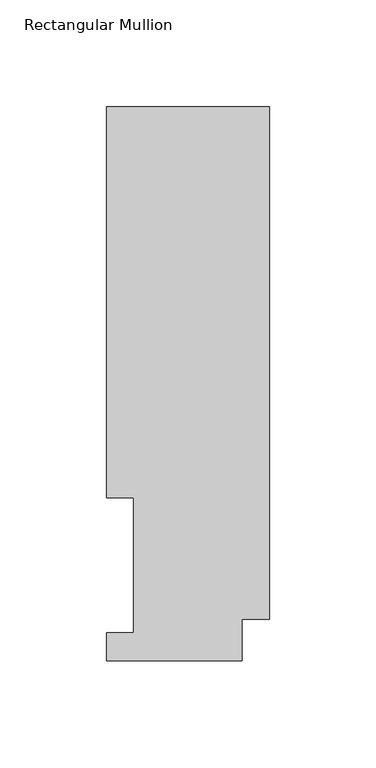
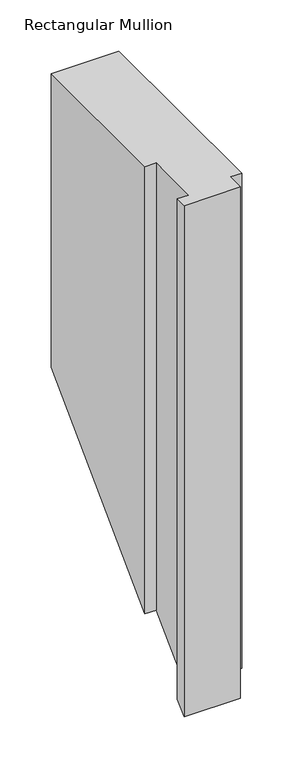
"""IFC4 building model written with IfcOpenShell, lengths in millimetres: member geometry, Rectangular Mullion."""

from ifc_helpers import new_model, si_unit, origin, place, context, project, spatial, faceted_brep, source, transform, mapped, element, save


def rectangular_mullion_80c42e01(model_context):
    return source(origin(), model_context, "Body", "Brep", [
        faceted_brep([(-76.2, 76.2992188, 0.0), (-63.5, 76.2992188, 0.0), (-63.5, 13.1492189, 0.0), (-76.2, 13.1492189, 0.0), (-76.2, -0.0333811, 0.0), (-12.7, -0.0333811, 0.0), (-12.7, 19.5088257, 0.0), (0.0, 19.5088257, 0.0), (0.0, 259.4586188, 0.0), (-76.2, 259.4586188, 0.0), (-76.2, 76.2992188, -533.3007812), (-63.5, 76.2992188, -533.3007812), (-63.5, 13.1492189, -596.4507811), (-76.2, 13.1492189, -596.4507811), (-76.2, -0.0333811, -609.6333811), (-12.7, -0.0333811, -609.6333811), (-12.7, 19.5088257, -590.0911743), (0.0, 19.5088257, -590.0911743), (0.0, 259.4586188, -350.1413812), (-76.2, 259.4586188, -350.1413812)], [[[0, 1, 2, 3, 4, 5, 6, 7, 8, 9]], [[1, 0, 10, 11]], [[2, 1, 11, 12]], [[3, 2, 12, 13]], [[4, 3, 13, 14]], [[5, 4, 14, 15]], [[6, 5, 15, 16]], [[7, 6, 16, 17]], [[8, 7, 17, 18]], [[9, 8, 18, 19]], [[0, 9, 19, 10]], [[10, 19, 18, 17, 16, 15, 14, 13, 12, 11]]]),
    ])


if __name__ == "__main__":
    model = new_model("IFC4")
    model_context = context("Model", 3, world=origin())
    ifc_project = project(units=[si_unit("LENGTHUNIT", "METRE", prefix="MILLI")], contexts=[model_context])
    site = spatial("IfcSite", under=ifc_project)
    building = spatial("IfcBuilding", under=site)
    placement = place(None, origin())
    rectangular_mullion_shape = rectangular_mullion_80c42e01(model_context)
    element("IfcMember", 1, ObjectType="Rectangular Mullion", at=placement, inside=building, context=model_context, shape_type="MappedRepresentation", body=[
        mapped(rectangular_mullion_shape, transform((0.0, 0.0, 0.0), x_axis=(1.0, 0.0, 0.0), y_axis=(0.0, 1.0, 0.0), z_axis=(0.0, 0.0, 1.0))),
    ])
    save(model, "model.ifc")
